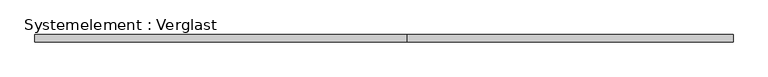
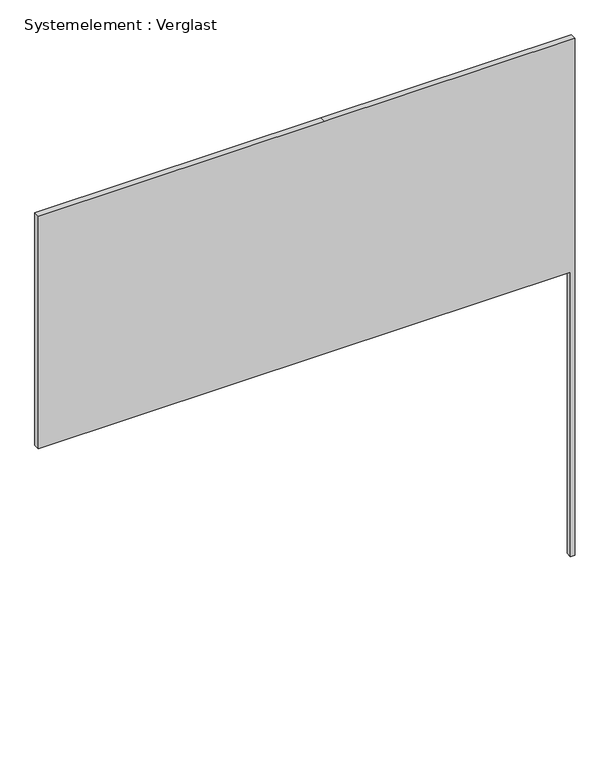
"""IFC4 building model written with IfcOpenShell, lengths in millimetres: plate geometry, Systemelement : Verglast."""

from ifc_helpers import new_model, si_unit, frame, origin, place, context, project, spatial, polyline, outline, extrude, source, transform, mapped, element, save


def systemelement_verglast_1332b82f(model_context):
    return source(origin(), model_context, "Body", "SweptSolid", [
        extrude(outline(polyline([(0.0, 922.5), (0.0, 937.5), (1908.3333333, 937.5), (1908.3333333, 62.5), (1908.3333333, -937.5), (1050.0, -937.5), (1050.0, 62.5), (1050.0, 922.5), (0.0, 922.5)])), frame((0.0, -10.0, 0.0), z_axis=(0.0, 1.0, 0.0), x_axis=(0.0, 0.0, 1.0)), (0.0, 0.0, 1.0), 20.0),
    ])


if __name__ == "__main__":
    model = new_model("IFC4")
    model_context = context("Model", 3, world=origin())
    ifc_project = project(units=[si_unit("LENGTHUNIT", "METRE", prefix="MILLI")], contexts=[model_context])
    site = spatial("IfcSite", under=ifc_project)
    building = spatial("IfcBuilding", under=site)
    placement = place(None, origin())
    systemelement_verglast_shape = systemelement_verglast_1332b82f(model_context)
    element("IfcPlate", 1, ObjectType="Systemelement : Verglast", at=placement, inside=building, context=model_context, shape_type="MappedRepresentation", body=[
        mapped(systemelement_verglast_shape, transform((0.0, 0.0, 0.0), x_axis=(1.0, 0.0, 0.0), y_axis=(0.0, 1.0, 0.0), z_axis=(0.0, 0.0, 1.0))),
    ])
    save(model, "model.ifc")
